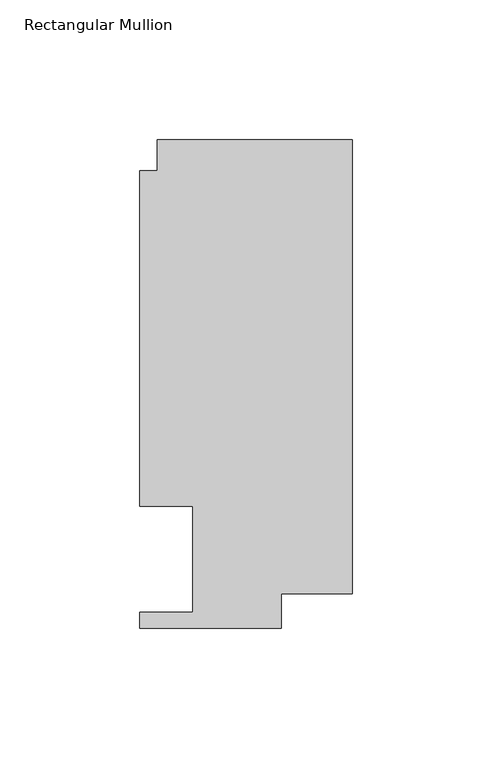
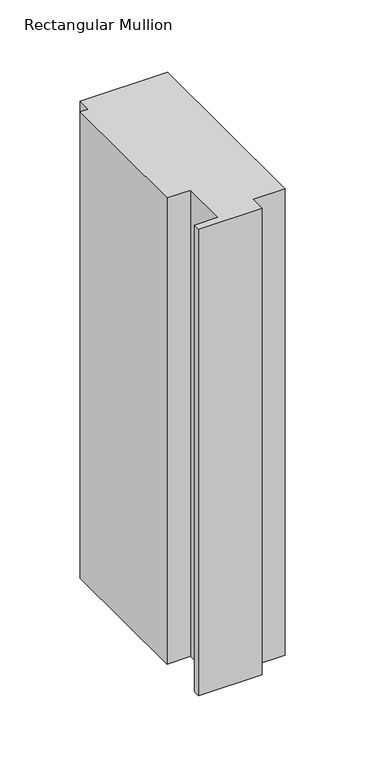
"""IFC4 building model written with IfcOpenShell, lengths in millimetres: member geometry, Rectangular Mullion."""

from ifc_helpers import new_model, si_unit, frame, origin, place, context, project, spatial, polyline, outline, extrude, source, transform, mapped, element, save


def rectangular_mullion_6c672b03(model_context):
    return source(origin(), model_context, "Body", "SweptSolid", [
        extrude(outline(polyline([(-69.8417664, 163.068), (0.0, 163.068), (0.0, 0.3801778), (-25.4044662, 0.3801778), (-25.4044662, -12.065), (-76.2171663, -12.065), (-76.2171663, -6.35), (-57.1417663, -6.35), (-57.1417663, 31.75), (-76.1917663, 31.75), (-76.1917663, 151.892), (-69.8417664, 151.892), (-69.8417664, 163.068)])), frame((0.0, 0.0, -394.1960937), z_axis=(0.0, 0.0, 1.0), x_axis=(1.0, 0.0, 0.0)), (0.0, 0.0, 1.0), 394.1960937),
    ])


if __name__ == "__main__":
    model = new_model("IFC4")
    model_context = context("Model", 3, world=origin())
    ifc_project = project(units=[si_unit("LENGTHUNIT", "METRE", prefix="MILLI")], contexts=[model_context])
    site = spatial("IfcSite", under=ifc_project)
    building = spatial("IfcBuilding", under=site)
    placement = place(None, origin())
    rectangular_mullion_shape = rectangular_mullion_6c672b03(model_context)
    element("IfcMember", 1, ObjectType="Rectangular Mullion", at=placement, inside=building, context=model_context, shape_type="MappedRepresentation", body=[
        mapped(rectangular_mullion_shape, transform((0.0, 0.0, 0.0), x_axis=(1.0, 0.0, 0.0), y_axis=(0.0, 1.0, 0.0), z_axis=(0.0, 0.0, 1.0))),
    ])
    save(model, "model.ifc")
